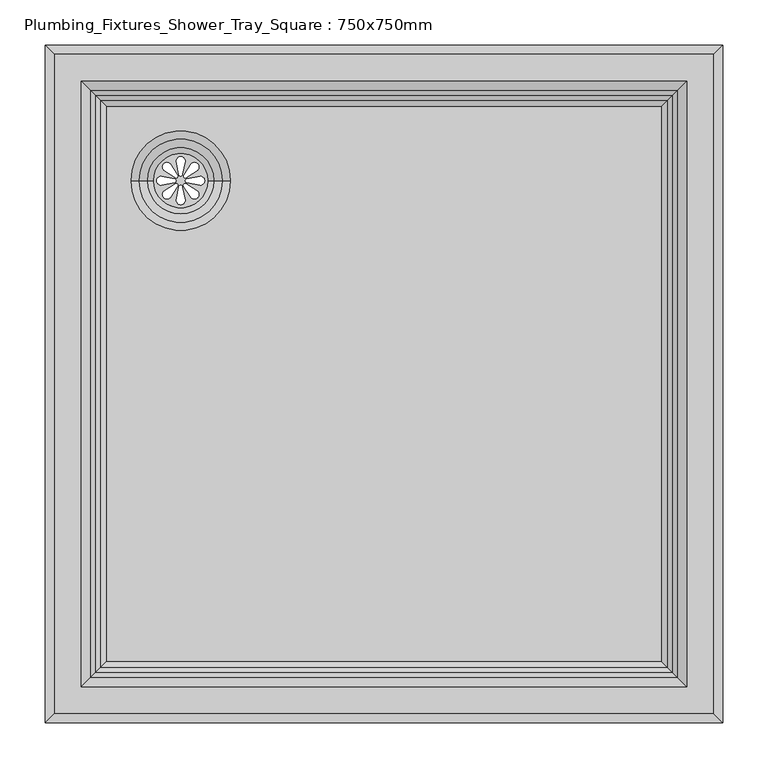
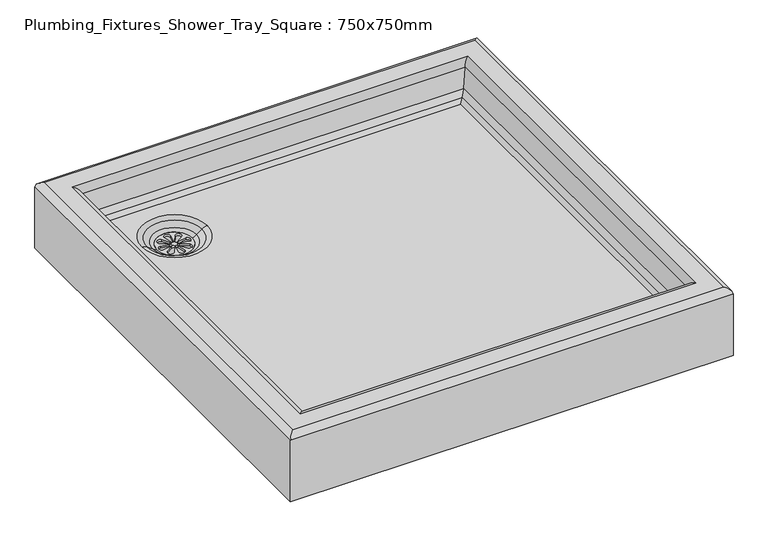
"""IFC4 building model written with IfcOpenShell, lengths in millimetres: flow terminal geometry, Plumbing_Fixtures_Shower_Tray_Square : 750x750mm."""

from ifc_helpers import new_model, si_unit, point, frame, frame_2d, origin, place, context, project, spatial, polyline, circle_curve, ellipse_curve, trimmed, segment, composite_curve, outline, extrude, source, transform, mapped, element, save
from ifc_brep_helpers import plane_surface, cylinder_surface, revolved_surface, advanced_brep


def plumbing_fixtures_shower_tray_square_750x750mm_8fed9e94(model_context):
    return source(origin(), model_context, "Body", "SolidModel", [
        extrude(outline(composite_curve([segment(trimmed(circle_curve(frame_2d((-225.0, 225.0)), 30.0), [point((-255.0, 225.0))], [point((-195.0, 225.0))], False, "CARTESIAN"), True, "CONTINUOUS"), segment(trimmed(circle_curve(frame_2d((-225.0, 225.0)), 30.0), [point((-195.0, 225.0))], [point((-255.0, 225.0))], False, "CARTESIAN"), True, "CONTINUOUS")], self_intersect=False), holes=[composite_curve([segment(polyline([(-223.0437984, 232.2242832), (-220.0173347, 246.5301417)]), True, "CONTINUOUS"), segment(trimmed(circle_curve(frame_2d((-225.0, 246.5301417)), 4.9826653), [point((-220.0173347, 246.5301417))], [point((-229.9826653, 246.5301417))], True, "CARTESIAN"), True, "CONTINUOUS"), segment(polyline([(-229.9826653, 246.5301417), (-227.1435586, 232.2242832)]), True, "CONTINUOUS"), segment(trimmed(circle_curve(frame_2d((-225.0936785, 232.2242832)), 2.0498801), [point((-227.1435586, 232.2242832))], [point((-223.0437984, 232.2242832))], True, "CARTESIAN"), True, "CONTINUOUS")], self_intersect=False), composite_curve([segment(trimmed(circle_curve(frame_2d((-225.0936785, 217.7757168)), 2.0498801), [point((-223.0437984, 217.7757168))], [point((-227.1435586, 217.7757168))], True, "CARTESIAN"), True, "CONTINUOUS"), segment(polyline([(-227.1435586, 217.7757168), (-229.9826653, 203.4698583)]), True, "CONTINUOUS"), segment(trimmed(circle_curve(frame_2d((-225.0, 203.4698583)), 4.9826653), [point((-229.9826653, 203.4698583))], [point((-220.0173347, 203.4698583))], True, "CARTESIAN"), True, "CONTINUOUS"), segment(polyline([(-220.0173347, 203.4698583), (-223.0437984, 217.7757168)]), True, "CONTINUOUS")], self_intersect=False), composite_curve([segment(polyline([(-232.2242832, 226.9562016), (-246.5301417, 229.9826653)]), True, "CONTINUOUS"), segment(trimmed(circle_curve(frame_2d((-246.5301417, 225.0)), 4.9826653), [point((-246.5301417, 229.9826653))], [point((-246.5301417, 220.0173347))], True, "CARTESIAN"), True, "CONTINUOUS"), segment(polyline([(-246.5301417, 220.0173347), (-232.2242832, 222.8564414)]), True, "CONTINUOUS"), segment(trimmed(circle_curve(frame_2d((-232.2242832, 224.9063215)), 2.0498801), [point((-232.2242832, 222.8564414))], [point((-232.2242832, 226.9562016))], True, "CARTESIAN"), True, "CONTINUOUS")], self_intersect=False), composite_curve([segment(trimmed(circle_curve(frame_2d((-217.7757168, 224.9063215)), 2.0498801), [point((-217.7757168, 226.9562016))], [point((-217.7757168, 222.8564414))], True, "CARTESIAN"), True, "CONTINUOUS"), segment(polyline([(-217.7757168, 222.8564414), (-203.4698583, 220.0173347)]), True, "CONTINUOUS"), segment(trimmed(circle_curve(frame_2d((-203.4698583, 225.0)), 4.9826653), [point((-203.4698583, 220.0173347))], [point((-203.4698583, 229.9826653))], True, "CARTESIAN"), True, "CONTINUOUS"), segment(polyline([(-203.4698583, 229.9826653), (-217.7757168, 226.9562016)]), True, "CONTINUOUS")], self_intersect=False), composite_curve([segment(polyline([(-228.7250963, 231.4915831), (-236.7008327, 243.7473856)]), True, "CONTINUOUS"), segment(trimmed(circle_curve(frame_2d((-240.2241092, 240.2241092)), 4.9826653), [point((-236.7008327, 243.7473856))], [point((-243.7473856, 236.7008327))], True, "CARTESIAN"), True, "CONTINUOUS"), segment(polyline([(-243.7473856, 236.7008327), (-231.6240645, 228.5926149)]), True, "CONTINUOUS"), segment(trimmed(circle_curve(frame_2d((-230.1745804, 230.042099)), 2.0498801), [point((-231.6240645, 228.5926149))], [point((-228.7250963, 231.4915831))], True, "CARTESIAN"), True, "CONTINUOUS")], self_intersect=False), composite_curve([segment(trimmed(circle_curve(frame_2d((-219.957901, 219.8254196)), 2.0498801), [point((-218.5084169, 221.2749037))], [point((-221.4073851, 218.3759355))], True, "CARTESIAN"), True, "CONTINUOUS"), segment(polyline([(-221.4073851, 218.3759355), (-213.2991673, 206.2526144)]), True, "CONTINUOUS"), segment(trimmed(circle_curve(frame_2d((-209.7758908, 209.7758908)), 4.9826653), [point((-213.2991673, 206.2526144))], [point((-206.2526144, 213.2991673))], True, "CARTESIAN"), True, "CONTINUOUS"), segment(polyline([(-206.2526144, 213.2991673), (-218.5084169, 221.2749037)]), True, "CONTINUOUS")], self_intersect=False), composite_curve([segment(polyline([(-231.4915831, 221.2749037), (-243.7473856, 213.2991673)]), True, "CONTINUOUS"), segment(trimmed(circle_curve(frame_2d((-240.2241092, 209.7758908)), 4.9826653), [point((-243.7473856, 213.2991673))], [point((-236.7008327, 206.2526144))], True, "CARTESIAN"), True, "CONTINUOUS"), segment(polyline([(-236.7008327, 206.2526144), (-228.5926149, 218.3759355)]), True, "CONTINUOUS"), segment(trimmed(circle_curve(frame_2d((-230.042099, 219.8254196)), 2.0498801), [point((-228.5926149, 218.3759355))], [point((-231.4915831, 221.2749037))], True, "CARTESIAN"), True, "CONTINUOUS")], self_intersect=False), composite_curve([segment(trimmed(circle_curve(frame_2d((-219.8254196, 230.042099)), 2.0498801), [point((-221.2749037, 231.4915831))], [point((-218.3759355, 228.5926149))], True, "CARTESIAN"), True, "CONTINUOUS"), segment(polyline([(-218.3759355, 228.5926149), (-206.2526144, 236.7008327)]), True, "CONTINUOUS"), segment(trimmed(circle_curve(frame_2d((-209.7758908, 240.2241092)), 4.9826653), [point((-206.2526144, 236.7008327))], [point((-213.2991673, 243.7473856))], True, "CARTESIAN"), True, "CONTINUOUS"), segment(polyline([(-213.2991673, 243.7473856), (-221.2749037, 231.4915831)]), True, "CONTINUOUS")], self_intersect=False)]), frame((0.0, 0.0, 43.429774), z_axis=(0.0, 0.0, 1.0), x_axis=(1.0, 0.0, 0.0)), (0.0, 0.0, 1.0), 3.0),
        advanced_brep(
        [(375.0, 375.0, 0.0), (375.0, 375.0, 110.0), (375.0, -375.0, 110.0), (375.0, -375.0, 0.0), (313.5950747, 313.5950747, 66.1486916), (307.446383, 307.446383, 60.0), (307.446383, -307.446383, 60.0), (313.5950747, -313.5950747, 66.1486916), (319.1490941, -319.1490941, 76.8178637), (319.1490941, 319.1490941, 76.8178637), (325.0, -325.0, 110.0), (325.0, 325.0, 110.0), (335.0, -335.0, 120.0), (335.0, 335.0, 120.0), (365.0, 365.0, 120.0), (365.0, -365.0, 120.0), (-375.0, -375.0, 110.0), (-375.0, -375.0, 0.0), (-307.446383, -307.446383, 60.0), (-313.5950747, -313.5950747, 66.1486916), (-319.1490941, -319.1490941, 76.8178637), (-325.0, -325.0, 110.0), (-335.0, -335.0, 120.0), (-365.0, -365.0, 120.0), (-375.0, 375.0, 110.0), (-375.0, 375.0, 0.0), (-307.446383, 307.446383, 60.0), (-313.5950747, 313.5950747, 66.1486916), (-319.1490941, 319.1490941, 76.8178637), (-325.0, 325.0, 110.0), (-335.0, 335.0, 120.0), (-365.0, 365.0, 120.0), (-255.0, 225.0, 0.0), (-195.0, 225.0, 0.0), (-280.0, 225.0, 60.0), (-170.0, 225.0, 60.0), (-195.0, 225.0, 46.429774), (-255.0, 225.0, 46.429774), (-188.3333333, 225.0, 50.0), (-261.6666667, 225.0, 50.0), (-179.0, 225.0, 57.0), (-271.0, 225.0, 57.0)],
        [
            (0, 1),
            (1, 2),
            (2, 3),
            (3, 0),
            (4, 5),
            (5, 6),
            (6, 7),
            (7, 4),
            (7, 8, ellipse_curve(frame((299.452939, -299.452939, 80.2908273), z_axis=(-0.7071067811865475, -0.7071067811865475, 0.0), x_axis=(0.7071067811865474, -0.7071067811865476, 0.0)), 28.2842712, 20.0)),
            (8, 9),
            (9, 4, ellipse_curve(frame((299.452939, 299.452939, 80.2908273), z_axis=(-0.7071067811865475, 0.7071067811865475, 0.0), x_axis=(-0.7071067811865474, -0.7071067811865476, 0.0)), 28.2842712, 20.0)),
            (8, 10),
            (10, 11),
            (11, 9),
            (10, 12, ellipse_curve(frame((335.0, -335.0, 110.0), z_axis=(0.7071067811865475, 0.7071067811865475, 0.0), x_axis=(-0.7071067811865474, 0.7071067811865476, 0.0)), 14.1421356, 10.0)),
            (12, 13),
            (13, 11, ellipse_curve(frame((335.0, 335.0, 110.0), z_axis=(0.7071067811865475, -0.7071067811865475, 0.0), x_axis=(0.7071067811865474, 0.7071067811865476, 0.0)), 14.1421356, 10.0)),
            (1, 14, ellipse_curve(frame((365.0, 365.0, 110.0), z_axis=(0.7071067811865475, -0.7071067811865475, 0.0), x_axis=(0.7071067811865474, 0.7071067811865476, 0.0)), 14.1421356, 10.0)),
            (14, 15),
            (15, 2, ellipse_curve(frame((365.0, -365.0, 110.0), z_axis=(0.7071067811865475, 0.7071067811865475, 0.0), x_axis=(-0.7071067811865474, 0.7071067811865476, 0.0)), 14.1421356, 10.0)),
            (2, 16),
            (16, 17),
            (17, 3),
            (6, 18),
            (18, 19),
            (19, 7),
            (19, 20, ellipse_curve(frame((-299.452939, -299.452939, 80.2908273), z_axis=(-0.7071067811865475, 0.7071067811865475, 0.0), x_axis=(-0.7071067811865476, -0.7071067811865474, 0.0)), 28.2842712, 20.0)),
            (20, 8),
            (20, 21),
            (21, 10),
            (21, 22, ellipse_curve(frame((-335.0, -335.0, 110.0), z_axis=(0.7071067811865475, -0.7071067811865475, 0.0), x_axis=(0.7071067811865476, 0.7071067811865474, 0.0)), 14.1421356, 10.0)),
            (22, 12),
            (15, 23),
            (23, 16, ellipse_curve(frame((-365.0, -365.0, 110.0), z_axis=(0.7071067811865475, -0.7071067811865475, 0.0), x_axis=(0.7071067811865476, 0.7071067811865474, 0.0)), 14.1421356, 10.0)),
            (16, 24),
            (24, 25),
            (25, 17),
            (18, 26),
            (26, 27),
            (27, 19),
            (27, 28, ellipse_curve(frame((-299.452939, 299.452939, 80.2908273), z_axis=(0.7071067811865475, 0.7071067811865475, 0.0), x_axis=(-0.7071067811865474, 0.7071067811865476, 0.0)), 28.2842712, 20.0)),
            (28, 20),
            (28, 29),
            (29, 21),
            (29, 30, ellipse_curve(frame((-335.0, 335.0, 110.0), z_axis=(-0.7071067811865475, -0.7071067811865475, 0.0), x_axis=(0.7071067811865474, -0.7071067811865476, 0.0)), 14.1421356, 10.0)),
            (30, 22),
            (23, 31),
            (31, 24, ellipse_curve(frame((-365.0, 365.0, 110.0), z_axis=(-0.7071067811865475, -0.7071067811865475, 0.0), x_axis=(0.7071067811865474, -0.7071067811865476, 0.0)), 14.1421356, 10.0)),
            (0, 25),
            (24, 1),
            (32, 33, circle_curve(frame((-225.0, 225.0, 0.0), z_axis=(0.0, 0.0, 1.0), x_axis=(1.0, 0.0, 0.0)), 30.0)),
            (33, 32, circle_curve(frame((-225.0, 225.0, 0.0), z_axis=(0.0, 0.0, 1.0), x_axis=(1.0, 0.0, 0.0)), 30.0)),
            (4, 27),
            (26, 5),
            (9, 28),
            (11, 29),
            (13, 30),
            (14, 31),
            (34, 35, circle_curve(frame((-225.0, 225.0, 60.0), z_axis=(0.0, 0.0, -1.0), x_axis=(1.0, 0.0, 0.0)), 55.0)),
            (35, 34, circle_curve(frame((-225.0, 225.0, 60.0), z_axis=(0.0, 0.0, -1.0), x_axis=(1.0, 0.0, 0.0)), 55.0)),
            (33, 36),
            (36, 37, circle_curve(frame((-225.0, 225.0, 46.429774), z_axis=(0.0, 0.0, 1.0), x_axis=(1.0, 0.0, 0.0)), 30.0)),
            (37, 32),
            (37, 36, circle_curve(frame((-225.0, 225.0, 46.429774), z_axis=(0.0, 0.0, 1.0), x_axis=(1.0, 0.0, 0.0)), 30.0)),
            (38, 39, circle_curve(frame((-225.0, 225.0, 50.0), z_axis=(0.0, 0.0, 1.0), x_axis=(1.0, 0.0, 0.0)), 36.6666667)),
            (39, 37, circle_curve(frame((-246.6666667, 225.0, 70.0), z_axis=(0.0, -1.0, 0.0), x_axis=(-1.0, 0.0, 0.0)), 25.0)),
            (36, 38, circle_curve(frame((-203.3333333, 225.0, 70.0), z_axis=(0.0, -1.0, 0.0), x_axis=(1.0, 0.0, 0.0)), 25.0)),
            (39, 38, circle_curve(frame((-225.0, 225.0, 50.0), z_axis=(0.0, 0.0, 1.0), x_axis=(1.0, 0.0, 0.0)), 36.6666667)),
            (38, 40),
            (40, 41, circle_curve(frame((-225.0, 225.0, 57.0), z_axis=(0.0, 0.0, 1.0), x_axis=(1.0, 0.0, 0.0)), 46.0)),
            (41, 39),
            (41, 40, circle_curve(frame((-225.0, 225.0, 57.0), z_axis=(0.0, 0.0, 1.0), x_axis=(1.0, 0.0, 0.0)), 46.0)),
            (40, 35, circle_curve(frame((-170.0, 225.0, 45.0), z_axis=(0.0, 1.0, 0.0), x_axis=(1.0, 0.0, 0.0)), 15.0)),
            (34, 41, circle_curve(frame((-280.0, 225.0, 45.0), z_axis=(0.0, 1.0, 0.0), x_axis=(-1.0, 0.0, 0.0)), 15.0)),
        ],
        [
            plane_surface(frame((375.0, 375.0, 110.0), z_axis=(1.0, 0.0, 0.0), x_axis=(0.0, -1.0, 0.0))),
            plane_surface(frame((307.446383, 307.446383, 60.0), z_axis=(-0.7071067811865533, 0.0, 0.7071067811865417), x_axis=(0.0, -1.0, 0.0))),
            revolved_surface(polyline([(319.452939, -319.45293896643943, 80.2908273), (319.452939, 319.4529389664394, 80.2908273)]), (299.452939, 375.0, 80.2908273), (0.0, -1.0, 0.0)),
            plane_surface(frame((319.1490941, 319.1490941, 76.8178637), z_axis=(-0.9848077530122086, 0.0, 0.17364817766692786), x_axis=(0.0, -1.0, 0.0))),
            cylinder_surface(frame((335.0, 375.0, 110.0), z_axis=(0.0, 1.0, 0.0), x_axis=(1.0, 0.0, 0.0)), 10.0),
            cylinder_surface(frame((365.0, 375.0, 110.0), z_axis=(0.0, 1.0, 0.0), x_axis=(1.0, 0.0, 0.0)), 10.0),
            plane_surface(frame((375.0, -375.0, 110.0), z_axis=(0.0, -1.0, 0.0), x_axis=(-1.0, 0.0, 0.0))),
            plane_surface(frame((307.446383, -307.446383, 60.0), z_axis=(0.0, 0.7071067811865533, 0.7071067811865417), x_axis=(-1.0, 0.0, 0.0))),
            revolved_surface(polyline([(-319.45293896643943, -319.452939, 80.2908273), (319.4529389664394, -319.452939, 80.2908273)]), (375.0, -299.452939, 80.2908273), (-1.0, 0.0, 0.0)),
            plane_surface(frame((319.1490941, -319.1490941, 76.8178637), z_axis=(0.0, 0.9848077530122086, 0.17364817766692786), x_axis=(-1.0, 0.0, 0.0))),
            cylinder_surface(frame((375.0, -335.0, 110.0), z_axis=(1.0, 0.0, 0.0), x_axis=(0.0, -1.0, 0.0)), 10.0),
            cylinder_surface(frame((375.0, -365.0, 110.0), z_axis=(1.0, 0.0, 0.0), x_axis=(0.0, -1.0, 0.0)), 10.0),
            plane_surface(frame((-375.0, -375.0, 110.0), z_axis=(-1.0, 0.0, 0.0), x_axis=(0.0, 1.0, 0.0))),
            plane_surface(frame((-307.446383, -307.446383, 60.0), z_axis=(0.7071067811865533, 0.0, 0.7071067811865417), x_axis=(0.0, 1.0, 0.0))),
            revolved_surface(polyline([(-319.452939, 319.45293896643943, 80.2908273), (-319.452939, -319.4529389664394, 80.2908273)]), (-299.452939, -375.0, 80.2908273), (0.0, 1.0, 0.0)),
            plane_surface(frame((-319.1490941, -319.1490941, 76.8178637), z_axis=(0.9848077530122086, 0.0, 0.17364817766692786), x_axis=(0.0, 1.0, 0.0))),
            cylinder_surface(frame((-335.0, -375.0, 110.0), z_axis=(0.0, -1.0, 0.0), x_axis=(-1.0, 0.0, 0.0)), 10.0),
            cylinder_surface(frame((-365.0, -375.0, 110.0), z_axis=(0.0, -1.0, 0.0), x_axis=(-1.0, 0.0, 0.0)), 10.0),
            plane_surface(frame((-375.0, 375.0, 110.0), z_axis=(0.0, 1.0, 0.0), x_axis=(1.0, 0.0, 0.0))),
            plane_surface(frame((-375.0, 375.0, 0.0), z_axis=(0.0, 0.0, -1.0), x_axis=(1.0, 0.0, 0.0))),
            plane_surface(frame((-307.446383, 307.446383, 60.0), z_axis=(0.0, -0.7071067811865533, 0.7071067811865417), x_axis=(1.0, 0.0, 0.0))),
            revolved_surface(polyline([(319.45293896643943, 319.452939, 80.2908273), (-319.4529389664394, 319.452939, 80.2908273)]), (-375.0, 299.452939, 80.2908273), (1.0, 0.0, 0.0)),
            plane_surface(frame((-319.1490941, 319.1490941, 76.8178637), z_axis=(0.0, -0.9848077530122086, 0.17364817766692786), x_axis=(1.0, 0.0, 0.0))),
            cylinder_surface(frame((-375.0, 335.0, 110.0), z_axis=(-1.0, 0.0, 0.0), x_axis=(0.0, 1.0, 0.0)), 10.0),
            plane_surface(frame((-335.0, 335.0, 120.0), z_axis=(0.0, 0.0, 1.0), x_axis=(1.0, 0.0, 0.0))),
            cylinder_surface(frame((-375.0, 365.0, 110.0), z_axis=(-1.0, 0.0, 0.0), x_axis=(0.0, 1.0, 0.0)), 10.0),
            plane_surface(frame((-195.0, 225.0, 60.0), z_axis=(0.0, 0.0, 1.0), x_axis=(0.0, -1.0, 0.0))),
            revolved_surface(polyline([(-195.0, 225.0, 0.0), (-195.0, 225.0, 46.429774)]), (-225.0, 225.0, 0.0), (0.0, 0.0, -1.0)),
            revolved_surface(trimmed(ellipse_curve(frame((-203.3333333, 225.0, 70.0), z_axis=(0.0, 1.0, 0.0), x_axis=(1.0, 0.0, 0.0)), 25.0, 25.0), [point((-188.3333333, 225.0, 50.0))], [point((-203.3333333, 225.0, 45.0))], True, "CARTESIAN"), (-225.0, 225.0, -508.0), (0.0, 0.0, 1.0)),
            revolved_surface(polyline([(-179.0, 225.0, 57.0), (-188.3333333, 225.0, 50.0)]), (-225.0, 225.0, -508.0), (0.0, 0.0, 1.0)),
            revolved_surface(trimmed(ellipse_curve(frame((-170.0, 225.0, 45.0), z_axis=(0.0, -1.0, 0.0), x_axis=(1.0, 0.0, 0.0)), 15.0, 15.0), [point((-170.0, 225.0, 60.0))], [point((-179.0, 225.0, 57.0))], True, "CARTESIAN"), (-225.0, 225.0, -508.0), (0.0, 0.0, 1.0)),
        ],
        [
            (0, [[1, 2, 3, 4]]),
            (1, [[5, 6, 7, 8]]),
            (2, [[-8, 9, 10, 11]]),
            (3, [[-10, 12, 13, 14]]),
            (4, [[-13, 15, 16, 17]]),
            (5, [[-2, 18, 19, 20]]),
            (6, [[-3, 21, 22, 23]]),
            (7, [[-7, 24, 25, 26]]),
            (8, [[-9, -26, 27, 28]]),
            (9, [[-12, -28, 29, 30]]),
            (10, [[-15, -30, 31, 32]]),
            (11, [[-20, 33, 34, -21]]),
            (12, [[-22, 35, 36, 37]]),
            (13, [[-25, 38, 39, 40]]),
            (14, [[-27, -40, 41, 42]]),
            (15, [[-29, -42, 43, 44]]),
            (16, [[-31, -44, 45, 46]]),
            (17, [[-34, 47, 48, -35]]),
            (18, [[-1, 49, -36, 50]]),
            (19, [[-4, -23, -37, -49], [51, 52]]),
            (20, [[-5, 53, -39, 54]]),
            (21, [[-11, 55, -41, -53]]),
            (22, [[-14, 56, -43, -55]]),
            (23, [[-17, 57, -45, -56]]),
            (24, [[-19, 58, -47, -33], [-16, -32, -46, -57]]),
            (25, [[-18, -50, -48, -58]]),
            (26, [[-6, -54, -38, -24], [59, 60]]),
            (27, [[-52, 61, 62, 63]]),
            (27, [[-51, -63, 64, -61]]),
            (28, [[65, 66, -62, 67]]),
            (28, [[68, -67, -64, -66]]),
            (29, [[-65, 69, 70, 71]]),
            (29, [[-68, -71, 72, -69]]),
            (30, [[-70, 73, -59, 74]]),
            (30, [[-72, -74, -60, -73]]),
        ],
    ),
    ])


if __name__ == "__main__":
    model = new_model("IFC4")
    model_context = context("Model", 3, world=origin())
    ifc_project = project(units=[si_unit("LENGTHUNIT", "METRE", prefix="MILLI")], contexts=[model_context])
    site = spatial("IfcSite", under=ifc_project)
    building = spatial("IfcBuilding", under=site)
    placement = place(None, origin())
    plumbing_fixtures_shower_tray_square_750x750mm_shape = plumbing_fixtures_shower_tray_square_750x750mm_8fed9e94(model_context)
    element("IfcFlowTerminal", 1, ObjectType="Plumbing_Fixtures_Shower_Tray_Square : 750x750mm", at=placement, inside=building, context=model_context, shape_type="MappedRepresentation", body=[
        mapped(plumbing_fixtures_shower_tray_square_750x750mm_shape, transform((0.0, 0.0, 0.0), x_axis=(1.0, 0.0, 0.0), y_axis=(0.0, 1.0, 0.0), z_axis=(0.0, 0.0, 1.0))),
    ])
    save(model, "model.ifc")
